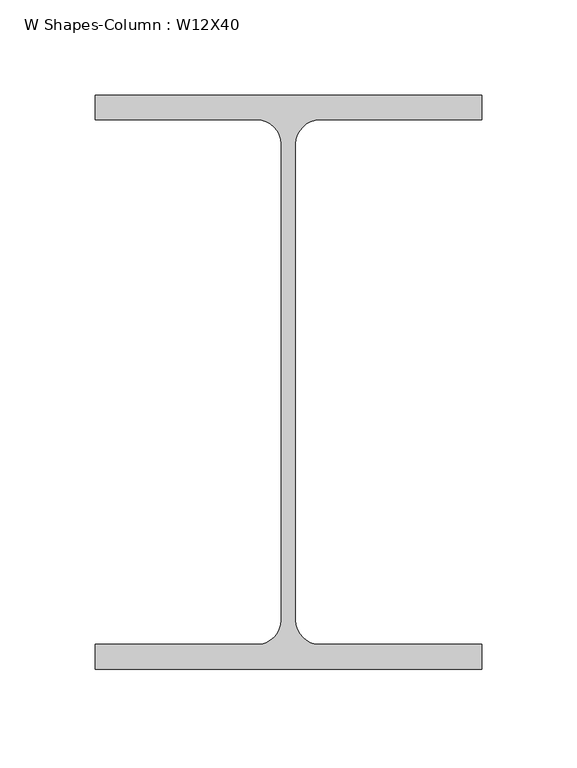
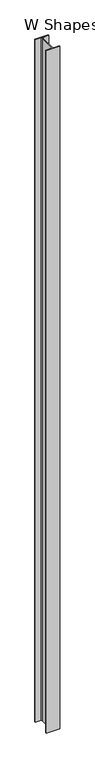
"""IFC4 building model written with IfcOpenShell, lengths in millimetres: column geometry, W Shapes-Column : W12X40."""

from ifc_helpers import new_model, si_unit, point, frame_2d, origin, origin_with_axes, place, context, project, spatial, polyline, circle_curve, trimmed, segment, composite_curve, outline, extrude, source, transform, mapped, element, save


def w_shapes_column_w12x40_af90b8c6(model_context):
    return source(origin(), model_context, "Body", "SweptSolid", [
        extrude(outline(composite_curve([segment(polyline([(101.727, 151.13), (101.727, 138.049), (16.5735, 138.049)]), True, "CONTINUOUS"), segment(trimmed(circle_curve(frame_2d((16.5735, 125.222)), 12.827), [point((16.5735, 138.049))], [point((3.7465, 125.222))], True, "CARTESIAN"), True, "CONTINUOUS"), segment(polyline([(3.7465, 125.222), (3.7465, -125.222)]), True, "CONTINUOUS"), segment(trimmed(circle_curve(frame_2d((16.5735, -125.222)), 12.827), [point((3.7465, -125.222))], [point((16.5735, -138.049))], True, "CARTESIAN"), True, "CONTINUOUS"), segment(polyline([(16.5735, -138.049), (101.727, -138.049), (101.727, -151.13), (-101.727, -151.13), (-101.727, -138.049), (-16.5735, -138.049)]), True, "CONTINUOUS"), segment(trimmed(circle_curve(frame_2d((-16.5735, -125.222)), 12.827), [point((-16.5735, -138.049))], [point((-3.7465, -125.222))], True, "CARTESIAN"), True, "CONTINUOUS"), segment(polyline([(-3.7465, -125.222), (-3.7465, 125.222)]), True, "CONTINUOUS"), segment(trimmed(circle_curve(frame_2d((-16.5735, 125.222)), 12.827), [point((-3.7465, 125.222))], [point((-16.5735, 138.049))], True, "CARTESIAN"), True, "CONTINUOUS"), segment(polyline([(-16.5735, 138.049), (-101.727, 138.049), (-101.727, 151.13), (101.727, 151.13)]), True, "CONTINUOUS")], self_intersect=False)), origin_with_axes(), (0.0, 0.0, 1.0), 10972.8),
    ])


if __name__ == "__main__":
    model = new_model("IFC4")
    model_context = context("Model", 3, world=origin())
    ifc_project = project(units=[si_unit("LENGTHUNIT", "METRE", prefix="MILLI")], contexts=[model_context])
    site = spatial("IfcSite", under=ifc_project)
    building = spatial("IfcBuilding", under=site)
    placement = place(None, origin())
    w_shapes_column_w12x40_shape = w_shapes_column_w12x40_af90b8c6(model_context)
    element("IfcColumn", 1, ObjectType="W Shapes-Column : W12X40", at=placement, inside=building, context=model_context, shape_type="MappedRepresentation", body=[
        mapped(w_shapes_column_w12x40_shape, transform((0.0, 0.0, 0.0), x_axis=(1.0, 0.0, 0.0), y_axis=(0.0, 1.0, 0.0), z_axis=(0.0, 0.0, 1.0))),
    ])
    save(model, "model.ifc")
